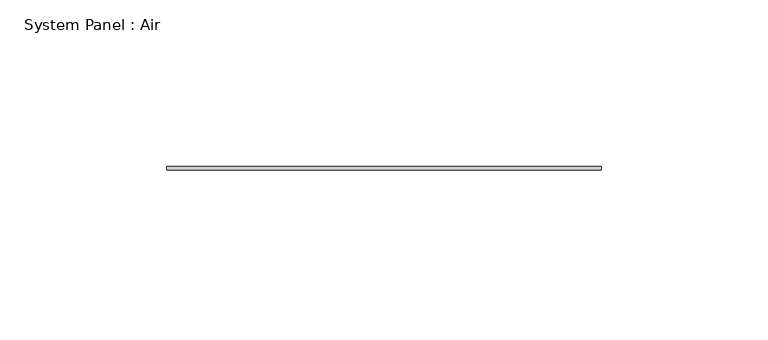
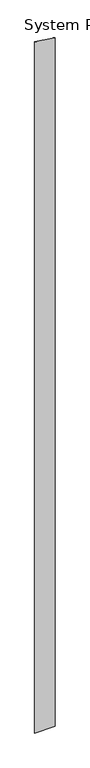
"""IFC4 building model written with IfcOpenShell, lengths in millimetres: plate geometry, System Panel : Air."""

from ifc_helpers import new_model, si_unit, frame, origin, place, context, project, spatial, polyline, outline, extrude, source, transform, mapped, element, save


def system_panel_air_efadf3be(model_context):
    return source(origin(), model_context, "Body", "SweptSolid", [
        extrude(outline(polyline([(0.0, -65.0), (0.0, 65.0), (4696.6079477, 65.0), (4715.8505666, -65.0), (0.0, -65.0)])), frame((0.0, 36.5, 0.0), z_axis=(0.0, 1.0, 0.0), x_axis=(0.0, 0.0, 1.0)), (0.0, 0.0, 1.0), 1.0),
    ])


if __name__ == "__main__":
    model = new_model("IFC4")
    model_context = context("Model", 3, world=origin())
    ifc_project = project(units=[si_unit("LENGTHUNIT", "METRE", prefix="MILLI")], contexts=[model_context])
    site = spatial("IfcSite", under=ifc_project)
    building = spatial("IfcBuilding", under=site)
    placement = place(None, origin())
    system_panel_air_shape = system_panel_air_efadf3be(model_context)
    element("IfcPlate", 1, ObjectType="System Panel : Air", at=placement, inside=building, context=model_context, shape_type="MappedRepresentation", body=[
        mapped(system_panel_air_shape, transform((0.0, 0.0, 0.0), x_axis=(1.0, 0.0, 0.0), y_axis=(0.0, 1.0, 0.0), z_axis=(0.0, 0.0, 1.0))),
    ])
    save(model, "model.ifc")
